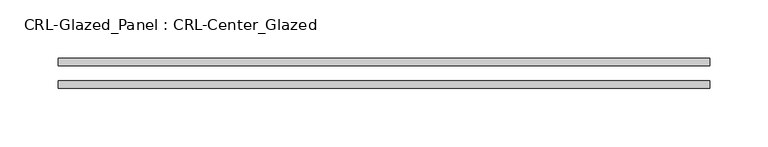
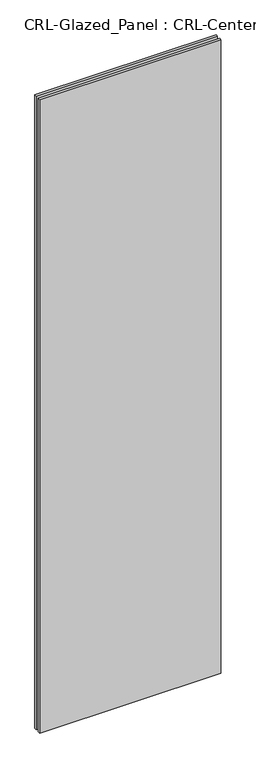
"""IFC4 building model written with IfcOpenShell, lengths in millimetres: plate geometry, CRL-Glazed_Panel : CRL-Center_Glazed."""

from ifc_helpers import new_model, si_unit, origin, origin_with_axes, place, context, project, spatial, polyline, outline, extrude, source, transform, mapped, element, save


def crl_glazed_panel_crl_center_glazed_171c11b0(model_context):
    return source(origin(), model_context, "Body", "SweptSolid", [
        extrude(outline(polyline([(278.6062234, -12.7), (-278.6062234, -12.7), (-278.6062234, -6.35), (278.6062234, -6.35), (278.6062234, -12.7)])), origin_with_axes(), (0.0, 0.0, 1.0), 2060.575),
        extrude(outline(polyline([(-278.6062234, 6.35), (-278.6062234, 12.7), (278.6062234, 12.7), (278.6062234, 6.35), (-278.6062234, 6.35)])), origin_with_axes(), (0.0, 0.0, 1.0), 2060.575),
    ])


if __name__ == "__main__":
    model = new_model("IFC4")
    model_context = context("Model", 3, world=origin())
    ifc_project = project(units=[si_unit("LENGTHUNIT", "METRE", prefix="MILLI")], contexts=[model_context])
    site = spatial("IfcSite", under=ifc_project)
    building = spatial("IfcBuilding", under=site)
    placement = place(None, origin())
    crl_glazed_panel_crl_center_glazed_shape = crl_glazed_panel_crl_center_glazed_171c11b0(model_context)
    element("IfcPlate", 1, ObjectType="CRL-Glazed_Panel : CRL-Center_Glazed", at=placement, inside=building, context=model_context, shape_type="MappedRepresentation", body=[
        mapped(crl_glazed_panel_crl_center_glazed_shape, transform((0.0, 0.0, 0.0), x_axis=(1.0, 0.0, 0.0), y_axis=(0.0, 1.0, 0.0), z_axis=(0.0, 0.0, 1.0))),
    ])
    save(model, "model.ifc")
